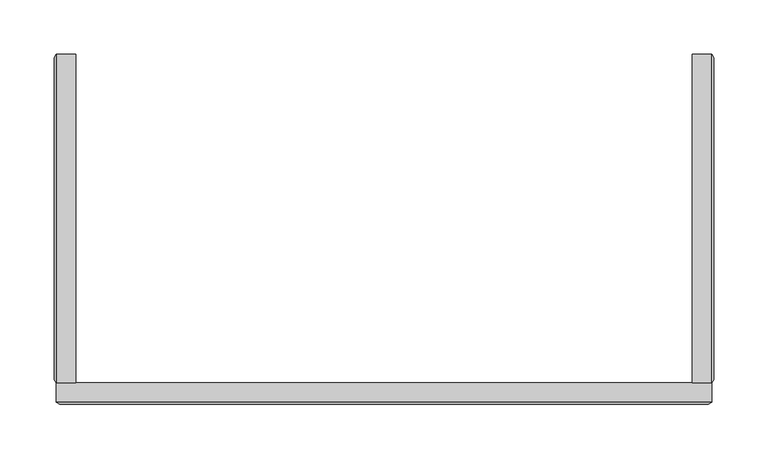
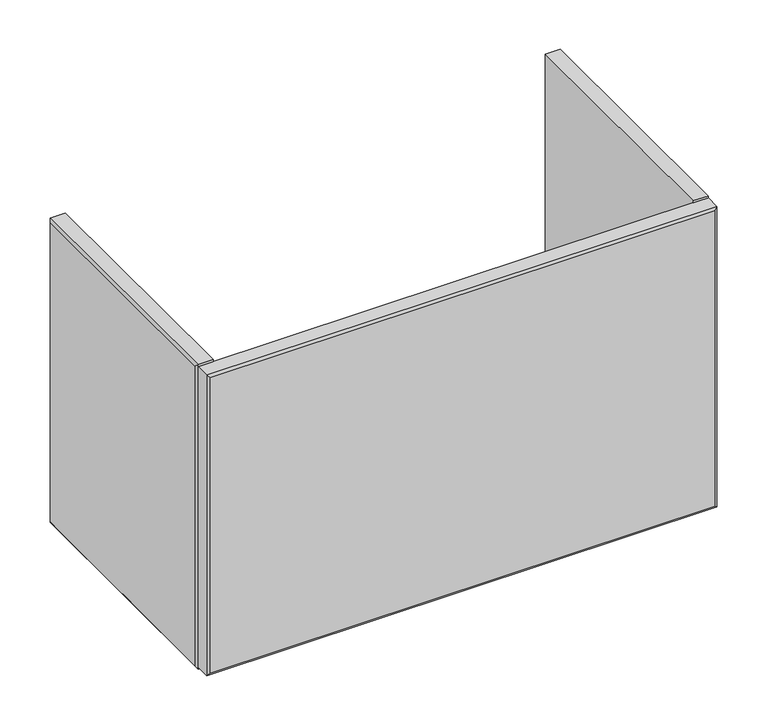
"""IFC4 building model written with IfcOpenShell, lengths in millimetres: furniture geometry."""

from ifc_helpers import new_model, si_unit, origin, place, context, project, spatial, faceted_brep, source, transform, mapped, element, save


def furniture_02b0a80a(model_context):
    return source(origin(), model_context, "Body", "Brep", [
        faceted_brep([(-282.888965, -324.2665622, 523.80388), (-265.1648424, -324.2665622, 523.80388), (-265.1648424, -324.2665622, 904.80388), (-282.888965, -324.2665622, 904.80388), (-282.888965, -21.75256, 904.80388), (-265.1648424, -21.75256, 904.80388), (-265.1648424, -21.75256, 523.80388), (-282.888965, -21.75256, 523.80388), (-284.722842, -24.9275601, 901.6231102), (-284.722842, -321.0915561, 901.6231102), (-284.722842, -24.9275601, 526.9846499), (-284.722842, -321.0915561, 526.9846499)], [[[0, 1, 2, 3]], [[4, 5, 6, 7]], [[3, 4, 8, 9]], [[9, 8, 10, 11]], [[1, 0, 7, 6]], [[2, 1, 6, 5]], [[3, 2, 5, 4]], [[7, 0, 11, 10]], [[4, 7, 10, 8]], [[0, 3, 9, 11]]]),
        faceted_brep([(302.6369231, -324.2665622, 523.80388), (320.3643748, -324.2665622, 523.80388), (320.3643748, -324.2665622, 904.80388), (302.6369231, -324.2665622, 904.80388), (302.6369231, -21.75256, 523.80388), (302.6369231, -21.75256, 904.80388), (320.3643748, -21.75256, 904.80388), (320.3643748, -21.75256, 523.80388), (322.1982518, -321.0915561, 526.9846499), (322.1982518, -24.9275601, 526.9846499), (322.1982518, -24.9275601, 901.6231102), (322.1982518, -321.0915561, 901.6231102)], [[[0, 1, 2, 3]], [[4, 5, 6, 7]], [[8, 9, 10, 11]], [[6, 2, 11, 10]], [[3, 2, 6, 5]], [[0, 3, 5, 4]], [[1, 0, 4, 7]], [[1, 7, 9, 8]], [[2, 1, 8, 11]], [[7, 6, 10, 9]]]),
        faceted_brep([(-282.888965, -341.9906802, 902.4543686), (-282.888965, -324.2665622, 902.4543686), (-282.888965, -324.2665622, 526.1533914), (-282.888965, -341.9906802, 526.1533914), (320.3643748, -341.9906802, 526.1533914), (320.3643748, -324.2665622, 526.1533914), (320.3643748, -324.2665622, 902.4543686), (320.3643748, -341.9906802, 902.4543686), (-279.7139635, -343.8166225, 899.2793807), (317.1893733, -343.8166225, 899.2793807), (317.1893733, -343.8166225, 529.3283793), (-279.7139635, -343.8166225, 529.3283793)], [[[0, 1, 2, 3]], [[4, 5, 6, 7]], [[7, 0, 8, 9]], [[1, 0, 7, 6]], [[2, 1, 6, 5]], [[3, 2, 5, 4]], [[3, 4, 10, 11]], [[9, 8, 11, 10]], [[4, 7, 9, 10]], [[0, 3, 11, 8]]]),
    ])


if __name__ == "__main__":
    model = new_model("IFC4")
    model_context = context("Model", 3, world=origin())
    ifc_project = project(units=[si_unit("LENGTHUNIT", "METRE", prefix="MILLI")], contexts=[model_context])
    site = spatial("IfcSite", under=ifc_project)
    building = spatial("IfcBuilding", under=site)
    placement = place(None, origin())
    furniture_shape = furniture_02b0a80a(model_context)
    element("IfcFurniture", 1, at=placement, inside=building, context=model_context, shape_type="MappedRepresentation", body=[
        mapped(furniture_shape, transform((0.0, 0.0, 0.0), x_axis=(1.0, 0.0, 0.0), y_axis=(0.0, 1.0, 0.0), z_axis=(0.0, 0.0, 1.0))),
    ])
    save(model, "model.ifc")
